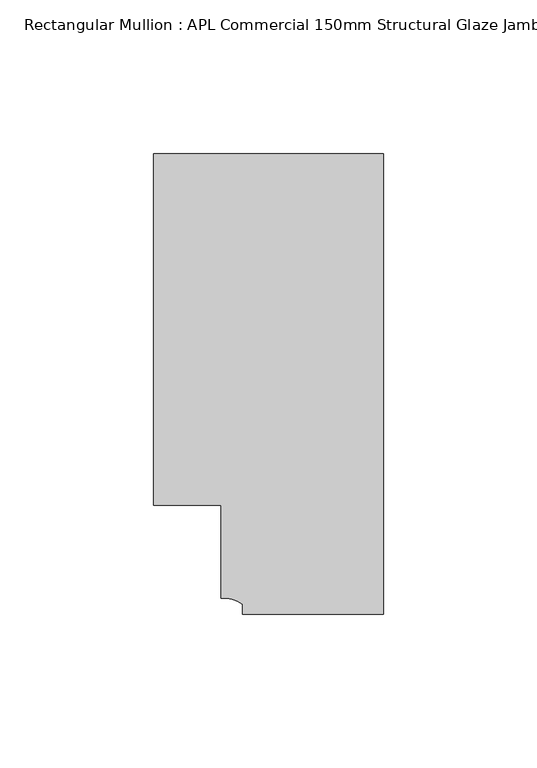
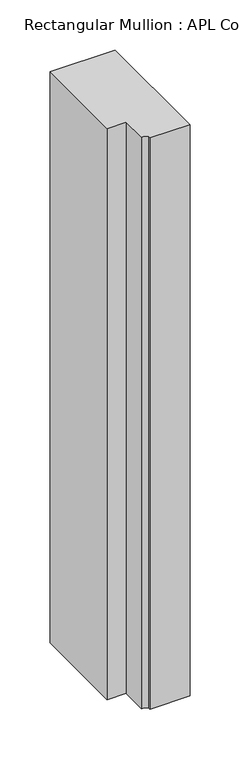
"""IFC4 building model written with IfcOpenShell, lengths in millimetres: member geometry, Rectangular Mullion : APL Commercial 150mm Structural Glaze Jamb Frame (left)."""

from ifc_helpers import new_model, si_unit, point, frame, frame_2d, origin, place, context, project, spatial, polyline, circle_curve, trimmed, segment, composite_curve, outline, extrude, source, transform, mapped, element, save


def rectangular_mullion_apl_commercial_150mm_structural_glaze_5e4395d9(model_context):
    return source(origin(), model_context, "Body", "SweptSolid", [
        extrude(outline(composite_curve([segment(polyline([(0.0, -20.5), (-45.9999842, -20.5), (-45.9999842, -17.3125325)]), True, "CONTINUOUS"), segment(trimmed(circle_curve(frame_2d((-52.1098019, -25.7981812)), 10.4563907), [point((-45.9999842, -17.3125325))], [point((-52.9999391, -15.3797475))], True, "CARTESIAN"), True, "CONTINUOUS"), segment(polyline([(-52.9999391, -15.3797475), (-52.9999391, 15.0000829), (-75.0, 15.0000829), (-75.0, 129.4999988), (0.0, 129.4999988), (0.0, -20.5)]), True, "CONTINUOUS")], self_intersect=False)), frame((0.0, 0.0, -697.0382292), z_axis=(0.0, 0.0, 1.0), x_axis=(1.0, 0.0, 0.0)), (0.0, 0.0, 1.0), 697.0382292),
    ])


if __name__ == "__main__":
    model = new_model("IFC4")
    model_context = context("Model", 3, world=origin())
    ifc_project = project(units=[si_unit("LENGTHUNIT", "METRE", prefix="MILLI")], contexts=[model_context])
    site = spatial("IfcSite", under=ifc_project)
    building = spatial("IfcBuilding", under=site)
    placement = place(None, origin())
    rectangular_mullion_apl_commercial_150mm_structural_glaze_shape = rectangular_mullion_apl_commercial_150mm_structural_glaze_5e4395d9(model_context)
    element("IfcMember", 1, ObjectType="Rectangular Mullion : APL Commercial 150mm Structural Glaze Jamb Frame (left)", at=placement, inside=building, context=model_context, shape_type="MappedRepresentation", body=[
        mapped(rectangular_mullion_apl_commercial_150mm_structural_glaze_shape, transform((0.0, 0.0, 0.0), x_axis=(1.0, 0.0, 0.0), y_axis=(0.0, 1.0, 0.0), z_axis=(0.0, 0.0, 1.0))),
    ])
    save(model, "model.ifc")
